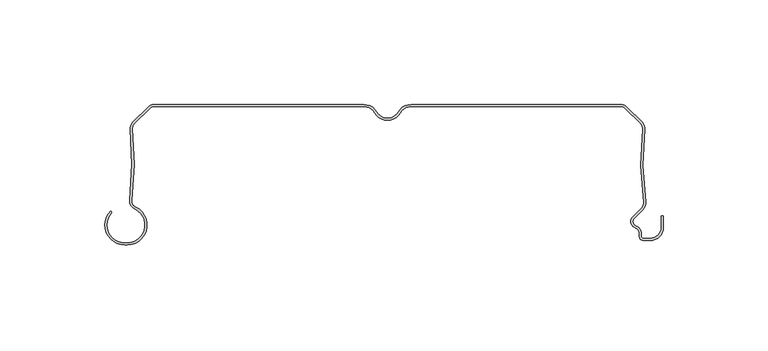
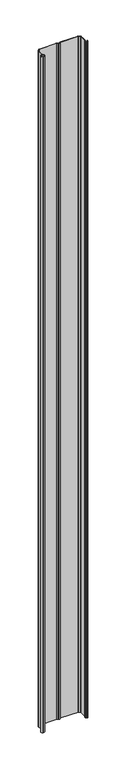
"""IFC4 building model written with IfcOpenShell, lengths in millimetres: plate geometry."""

from ifc_helpers import new_model, si_unit, point, frame_2d, origin, origin_with_axes, place, context, project, spatial, polyline, circle_curve, trimmed, segment, composite_curve, outline, extrude, source, transform, mapped, element, save


def plate_8e8f49bd(model_context):
    return source(origin(), model_context, "Body", "SweptSolid", [
        extrude(outline(composite_curve([segment(polyline([(-125.5602534, -66.1554676), (-124.3062534, -66.1554676)]), True, "CONTINUOUS"), segment(trimmed(circle_curve(frame_2d((-124.3062534, -57.6554676)), 8.5), [point((-124.3062534, -66.1554676))], [point((-120.7922981, -49.9158218))], True, "CARTESIAN"), True, "CONTINUOUS"), segment(trimmed(circle_curve(frame_2d((-119.0973315, -46.1825808)), 4.1), [point((-120.7922981, -49.9158218))], [point((-123.1663397, -45.6794186))], False, "CARTESIAN"), True, "CONTINUOUS"), segment(trimmed(circle_curve(frame_2d((-272.0324933, -27.2710429)), 150.0), [point((-123.1663397, -45.6794186))], [point((-122.8298398, -11.8253904))], True, "CARTESIAN"), True, "CONTINUOUS"), segment(trimmed(circle_curve(frame_2d((-118.7516339, -11.4032093)), 4.1), [point((-122.8298398, -11.8253904))], [point((-121.6507717, -8.5040715))], False, "CARTESIAN"), True, "CONTINUOUS"), segment(polyline([(-121.6507717, -8.5040715), (-114.3475625, -1.2008622)]), True, "CONTINUOUS"), segment(trimmed(circle_curve(frame_2d((-111.4484247, -4.1)), 4.1), [point((-114.3475625, -1.2008622))], [point((-111.4484247, 0.0))], False, "CARTESIAN"), True, "CONTINUOUS"), segment(polyline([(-111.4484247, 0.0), (-11.2583302, 0.0)]), True, "CONTINUOUS"), segment(trimmed(circle_curve(frame_2d((-11.2583302, -7.0)), 7.0), [point((-11.2583302, 0.0))], [point((-5.1961524, -3.5))], False, "CARTESIAN"), True, "CONTINUOUS"), segment(trimmed(circle_curve(frame_2d((0.0, -0.5)), 6.0), [point((-5.1961524, -3.5))], [point((0.0, -6.5))], True, "CARTESIAN"), True, "CONTINUOUS"), segment(trimmed(circle_curve(frame_2d((0.0, -0.5)), 6.0), [point((0.0, -6.5))], [point((5.1961524, -3.5))], True, "CARTESIAN"), True, "CONTINUOUS"), segment(trimmed(circle_curve(frame_2d((11.2583302, -7.0)), 7.0), [point((5.1961524, -3.5))], [point((11.2583302, 0.0))], False, "CARTESIAN"), True, "CONTINUOUS"), segment(polyline([(11.2583302, 0.0), (111.4484247, 0.0)]), True, "CONTINUOUS"), segment(trimmed(circle_curve(frame_2d((111.4484247, -4.1)), 4.1), [point((111.4484247, 0.0))], [point((114.3475625, -1.2008622))], False, "CARTESIAN"), True, "CONTINUOUS"), segment(polyline([(114.3475625, -1.2008622), (121.6502638, -8.5035635)]), True, "CONTINUOUS"), segment(trimmed(circle_curve(frame_2d((118.751126, -11.4027013)), 4.1), [point((121.6502638, -8.5035635))], [point((122.8293416, -11.8247881))], False, "CARTESIAN"), True, "CONTINUOUS"), segment(trimmed(circle_curve(frame_2d((272.0323524, -27.2669893)), 150.0), [point((122.8293416, -11.8247881))], [point((123.285044, -46.6122279))], True, "CARTESIAN"), True, "CONTINUOUS"), segment(trimmed(circle_curve(frame_2d((118.9914799, -47.1706247)), 4.3297228), [point((123.285044, -46.6122279))], [point((121.927044, -50.3532279))], False, "CARTESIAN"), True, "CONTINUOUS"), segment(polyline([(121.927044, -50.3532279), (117.8931687, -54.3871033)]), True, "CONTINUOUS"), segment(trimmed(circle_curve(frame_2d((119.4488036, -55.9427382)), 2.2), [point((117.8931687, -54.3871033))], [point((118.6238711, -57.98222))], True, "CARTESIAN"), True, "CONTINUOUS"), segment(trimmed(circle_curve(frame_2d((117.0489998, -61.8757763)), 4.2), [point((118.6238711, -57.98222))], [point((121.2489999, -61.8757763))], False, "CARTESIAN"), True, "CONTINUOUS"), segment(polyline([(121.2489999, -61.8757763), (121.2489999, -63.0)]), True, "CONTINUOUS"), segment(trimmed(circle_curve(frame_2d((122.2489999, -63.0)), 1.0), [point((121.2489999, -63.0))], [point((122.2489999, -64.0))], True, "CARTESIAN"), True, "CONTINUOUS"), segment(polyline([(122.2489999, -64.0), (125.5499998, -64.0)]), True, "CONTINUOUS"), segment(trimmed(circle_curve(frame_2d((125.5499998, -58.8)), 5.2), [point((125.5499998, -64.0))], [point((130.7499998, -58.8))], True, "CARTESIAN"), True, "CONTINUOUS"), segment(polyline([(130.7499998, -58.8), (130.7499998, -53.169), (131.7499998, -53.169), (131.7499998, -58.8)]), True, "CONTINUOUS"), segment(trimmed(circle_curve(frame_2d((125.5499998, -58.8)), 6.2), [point((131.7499998, -58.8))], [point((125.5499998, -65.0))], False, "CARTESIAN"), True, "CONTINUOUS"), segment(polyline([(125.5499998, -65.0), (122.2489999, -65.0)]), True, "CONTINUOUS"), segment(trimmed(circle_curve(frame_2d((122.2489999, -63.0)), 2.0), [point((122.2489999, -65.0))], [point((120.2489999, -63.0))], False, "CARTESIAN"), True, "CONTINUOUS"), segment(polyline([(120.2489999, -63.0), (120.2489999, -61.8757763)]), True, "CONTINUOUS"), segment(trimmed(circle_curve(frame_2d((117.0489998, -61.8757763)), 3.2), [point((120.2489999, -61.8757763))], [point((118.2489017, -58.9092572))], True, "CARTESIAN"), True, "CONTINUOUS"), segment(trimmed(circle_curve(frame_2d((119.4488036, -55.9427382)), 3.2), [point((118.2489017, -58.9092572))], [point((117.1860619, -53.6799965))], False, "CARTESIAN"), True, "CONTINUOUS"), segment(polyline([(117.1860619, -53.6799965), (121.2351432, -49.6309152)]), True, "CONTINUOUS"), segment(trimmed(circle_curve(frame_2d((118.9914799, -47.1706247)), 3.3297228), [point((121.2351432, -49.6309152))], [point((122.2933953, -46.7411962))], True, "CARTESIAN"), True, "CONTINUOUS"), segment(trimmed(circle_curve(frame_2d((272.0323524, -27.2669893)), 151.0), [point((122.2933953, -46.7411962))], [point((121.8346549, -11.7218401))], False, "CARTESIAN"), True, "CONTINUOUS"), segment(trimmed(circle_curve(frame_2d((118.751126, -11.4027013)), 3.1), [point((121.8346549, -11.7218401))], [point((120.943157, -9.2106703))], True, "CARTESIAN"), True, "CONTINUOUS"), segment(polyline([(120.943157, -9.2106703), (113.6404557, -1.907969)]), True, "CONTINUOUS"), segment(trimmed(circle_curve(frame_2d((111.4484247, -4.1)), 3.1), [point((113.6404557, -1.907969))], [point((111.4484247, -1.0))], True, "CARTESIAN"), True, "CONTINUOUS"), segment(polyline([(111.4484247, -1.0), (11.2583302, -1.0)]), True, "CONTINUOUS"), segment(trimmed(circle_curve(frame_2d((11.2583302, -7.0)), 6.0), [point((11.2583302, -1.0))], [point((6.0621778, -4.0))], True, "CARTESIAN"), True, "CONTINUOUS"), segment(trimmed(circle_curve(frame_2d((0.0, -0.5)), 7.0), [point((6.0621778, -4.0))], [point((0.0, -7.5))], False, "CARTESIAN"), True, "CONTINUOUS"), segment(trimmed(circle_curve(frame_2d((0.0, -0.5)), 7.0), [point((0.0, -7.5))], [point((-6.0621778, -4.0))], False, "CARTESIAN"), True, "CONTINUOUS"), segment(trimmed(circle_curve(frame_2d((-11.2583302, -7.0)), 6.0), [point((-6.0621778, -4.0))], [point((-11.2583302, -1.0))], True, "CARTESIAN"), True, "CONTINUOUS"), segment(polyline([(-11.2583302, -1.0), (-111.4484247, -1.0)]), True, "CONTINUOUS"), segment(trimmed(circle_curve(frame_2d((-111.4484247, -4.1)), 3.1), [point((-111.4484247, -1.0))], [point((-113.6404557, -1.907969))], True, "CARTESIAN"), True, "CONTINUOUS"), segment(polyline([(-113.6404557, -1.907969), (-120.943665, -9.2111782)]), True, "CONTINUOUS"), segment(trimmed(circle_curve(frame_2d((-118.7516339, -11.4032093)), 3.1), [point((-120.943665, -9.2111782))], [point((-121.8351555, -11.7224194))], True, "CARTESIAN"), True, "CONTINUOUS"), segment(trimmed(circle_curve(frame_2d((-272.0324933, -27.2710429)), 151.0), [point((-121.8351555, -11.7224194))], [point((-122.1738986, -45.8021411))], False, "CARTESIAN"), True, "CONTINUOUS"), segment(trimmed(circle_curve(frame_2d((-119.0973315, -46.1825808)), 3.1), [point((-122.1738986, -45.8021411))], [point((-120.3788916, -49.0052752))], True, "CARTESIAN"), True, "CONTINUOUS"), segment(trimmed(circle_curve(frame_2d((-124.3062534, -57.6554676)), 9.5), [point((-120.3788916, -49.0052752))], [point((-124.3062534, -67.1554676))], False, "CARTESIAN"), True, "CONTINUOUS"), segment(polyline([(-124.3062534, -67.1554676), (-125.5602534, -67.1554676)]), True, "CONTINUOUS"), segment(trimmed(circle_curve(frame_2d((-125.5602534, -57.6554676)), 9.5), [point((-125.5602534, -67.1554676))], [point((-132.2777679, -50.9379532))], False, "CARTESIAN"), True, "CONTINUOUS"), segment(polyline([(-132.2777679, -50.9379532), (-131.5706611, -51.64506)]), True, "CONTINUOUS"), segment(trimmed(circle_curve(frame_2d((-125.5602534, -57.6554676)), 8.5), [point((-131.5706611, -51.64506))], [point((-125.5602534, -66.1554676))], True, "CARTESIAN"), True, "CONTINUOUS")], self_intersect=False)), origin_with_axes(), (0.0, 0.0, 1.0), 4061.7064475),
    ])


if __name__ == "__main__":
    model = new_model("IFC4")
    model_context = context("Model", 3, world=origin())
    ifc_project = project(units=[si_unit("LENGTHUNIT", "METRE", prefix="MILLI")], contexts=[model_context])
    site = spatial("IfcSite", under=ifc_project)
    building = spatial("IfcBuilding", under=site)
    placement = place(None, origin())
    plate_shape = plate_8e8f49bd(model_context)
    element("IfcPlate", 1, at=placement, inside=building, context=model_context, shape_type="MappedRepresentation", body=[
        mapped(plate_shape, transform((0.0, 0.0, 0.0), x_axis=(1.0, 0.0, 0.0), y_axis=(0.0, 1.0, 0.0), z_axis=(0.0, 0.0, 1.0))),
    ])
    save(model, "model.ifc")
